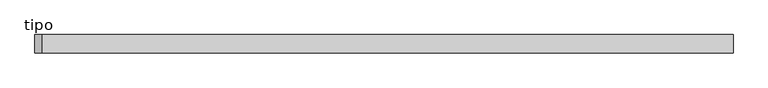
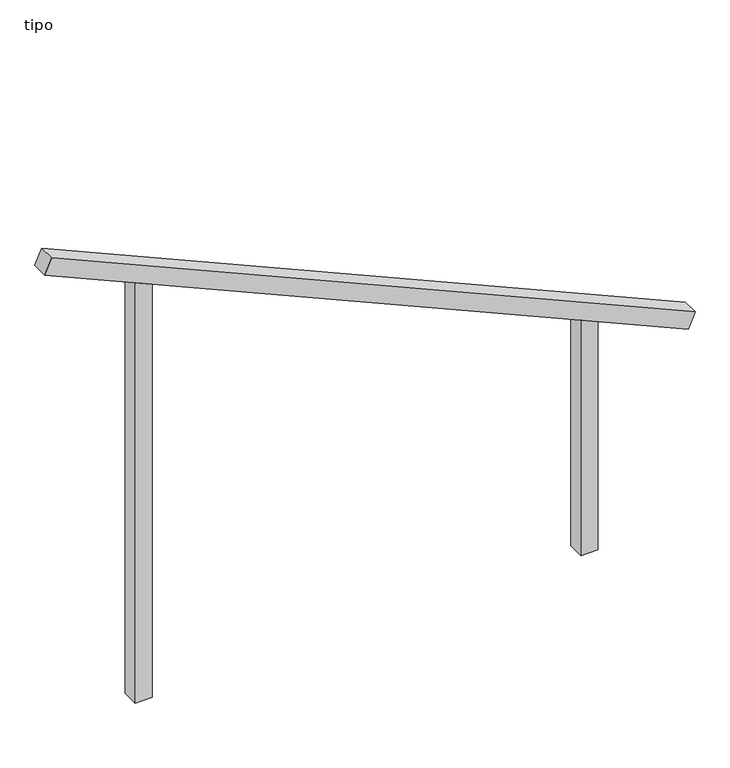
"""IFC4 building model written with IfcOpenShell, lengths in millimetres: proxy geometry, tipo."""

from ifc_helpers import new_model, si_unit, frame, origin, place, context, project, spatial, polyline, outline, extrude, source, transform, mapped, element, save


def tipo_9c3c4eb2(model_context):
    return source(origin(), model_context, "Body", "SweptSolid", [
        extrude(outline(polyline([(0.0, -4100.0), (0.0, 0.0), (100.0, 0.0), (100.0, -4100.0), (0.0, -4100.0)])), frame((-1877.2510468, -100.0, 2823.6677166), z_axis=(0.4017891300369376, 0.0, 0.9157322179459237), x_axis=(0.0, 1.0, 0.0)), (0.0, 0.0, 1.0), 100.0),
        extrude(outline(polyline([(1407.6703703, 1350.0), (1451.5466392, 1250.0), (0.0, 1250.0), (0.0, 1350.0), (1407.6703703, 1350.0)])), frame((0.0, -100.0, 0.0), z_axis=(0.0, 1.0, 0.0), x_axis=(0.0, 0.0, 1.0)), (0.0, 0.0, 1.0), 100.0),
        extrude(outline(polyline([(2592.3296297, -1350.0), (0.0, -1350.0), (0.0, -1250.0), (2548.4533608, -1250.0), (2592.3296297, -1350.0)])), frame((0.0, -100.0, 0.0), z_axis=(0.0, 1.0, 0.0), x_axis=(0.0, 0.0, 1.0)), (0.0, 0.0, 1.0), 100.0),
    ])


if __name__ == "__main__":
    model = new_model("IFC4")
    model_context = context("Model", 3, world=origin())
    ifc_project = project(units=[si_unit("LENGTHUNIT", "METRE", prefix="MILLI")], contexts=[model_context])
    site = spatial("IfcSite", under=ifc_project)
    building = spatial("IfcBuilding", under=site)
    placement = place(None, origin())
    tipo_shape = tipo_9c3c4eb2(model_context)
    element("IfcBuildingElementProxy", 1, Name="tipo", ObjectType="tipo", at=placement, inside=building, context=model_context, shape_type="MappedRepresentation", body=[
        mapped(tipo_shape, transform((0.0, 0.0, 0.0), x_axis=(1.0, 0.0, 0.0), y_axis=(0.0, 1.0, 0.0), z_axis=(0.0, 0.0, 1.0))),
    ])
    save(model, "model.ifc")
